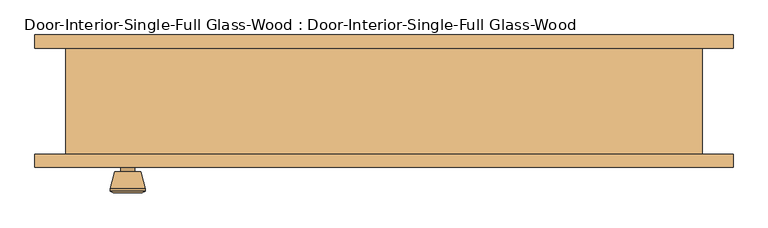
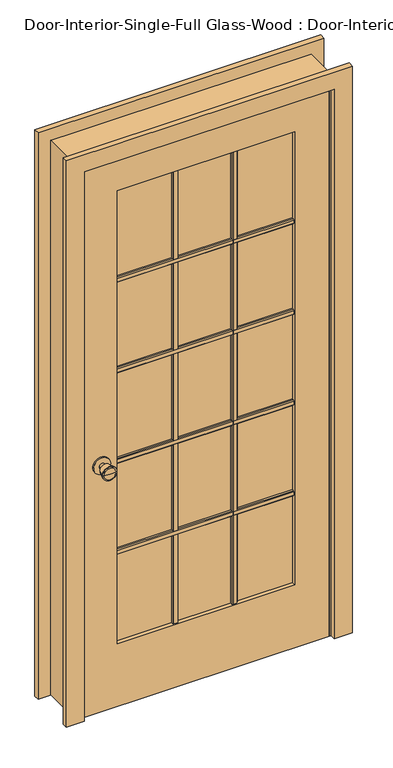
"""IFC4 building model written with IfcOpenShell, lengths in millimetres: door geometry, Door-Interior-Single-Full Glass-Wood : Door-Interior-Single-Full Glass-Wood."""

from ifc_helpers import new_model, si_unit, point, frame, frame_2d, origin, place, context, project, spatial, polyline, circle_curve, trimmed, segment, composite_curve, outline, extrude, faceted_brep, source, transform, mapped, element, save
from ifc_brep_helpers import plane_surface, cylinder_surface, revolved_surface, advanced_brep


def door_interior_single_full_glass_wood_door_interior_single_e0bcf041(model_context):
    return source(origin(), model_context, "Body", "SolidModel", [
        extrude(outline(polyline([(-59.055, 1586.23), (-59.055, 1567.18), (-65.405, 1567.18), (-68.58, 1570.355), (-68.58, 1583.055), (-65.405, 1586.23), (-59.055, 1586.23)])), frame((-311.15, 0.0, 0.0), z_axis=(1.0, 0.0, 0.0), x_axis=(0.0, 1.0, 0.0)), (0.0, 0.0, 1.0), 622.3),
        extrude(outline(polyline([(-59.055, 1249.9975), (-59.055, 1230.9475), (-65.405, 1230.9475), (-68.58, 1234.1225), (-68.58, 1246.8225), (-65.405, 1249.9975), (-59.055, 1249.9975)])), frame((-311.15, 0.0, 0.0), z_axis=(1.0, 0.0, 0.0), x_axis=(0.0, 1.0, 0.0)), (0.0, 0.0, 1.0), 622.3),
        extrude(outline(polyline([(-59.055, 913.765), (-59.055, 894.715), (-65.405, 894.715), (-68.58, 897.89), (-68.58, 910.59), (-65.405, 913.765), (-59.055, 913.765)])), frame((-311.15, 0.0, 0.0), z_axis=(1.0, 0.0, 0.0), x_axis=(0.0, 1.0, 0.0)), (0.0, 0.0, 1.0), 622.3),
        extrude(outline(polyline([(-59.055, 577.5325), (-59.055, 558.4825), (-65.405, 558.4825), (-68.58, 561.6575), (-68.58, 574.3575), (-65.405, 577.5325), (-59.055, 577.5325)])), frame((-311.15, 0.0, 0.0), z_axis=(1.0, 0.0, 0.0), x_axis=(0.0, 1.0, 0.0)), (0.0, 0.0, 1.0), 622.3),
        extrude(outline(polyline([(94.1916667, -59.055), (113.2416667, -59.055), (113.2416667, -65.405), (110.0666667, -68.58), (97.3666667, -68.58), (94.1916667, -65.405), (94.1916667, -59.055)])), frame((0.0, 0.0, 231.775), z_axis=(0.0, 0.0, 1.0), x_axis=(1.0, 0.0, 0.0)), (0.0, 0.0, 1.0), 1681.1625),
        extrude(outline(polyline([(-113.2416667, -59.055), (-94.1916667, -59.055), (-94.1916667, -65.405), (-97.3666667, -68.58), (-110.0666667, -68.58), (-113.2416667, -65.405), (-113.2416667, -59.055)])), frame((0.0, 0.0, 231.775), z_axis=(0.0, 0.0, 1.0), x_axis=(1.0, 0.0, 0.0)), (0.0, 0.0, 1.0), 1681.1625),
        extrude(outline(polyline([(-52.07, 1586.23), (-45.72, 1586.23), (-42.545, 1583.055), (-42.545, 1570.355), (-45.72, 1567.18), (-52.07, 1567.18), (-52.07, 1586.23)])), frame((-311.15, 0.0, 0.0), z_axis=(1.0, 0.0, 0.0), x_axis=(0.0, 1.0, 0.0)), (0.0, 0.0, 1.0), 622.3),
        extrude(outline(polyline([(-52.07, 1249.9975), (-45.72, 1249.9975), (-42.545, 1246.8225), (-42.545, 1234.1225), (-45.72, 1230.9475), (-52.07, 1230.9475), (-52.07, 1249.9975)])), frame((-311.15, 0.0, 0.0), z_axis=(1.0, 0.0, 0.0), x_axis=(0.0, 1.0, 0.0)), (0.0, 0.0, 1.0), 622.3),
        extrude(outline(polyline([(-52.07, 913.765), (-45.72, 913.765), (-42.545, 910.59), (-42.545, 897.89), (-45.72, 894.715), (-52.07, 894.715), (-52.07, 913.765)])), frame((-311.15, 0.0, 0.0), z_axis=(1.0, 0.0, 0.0), x_axis=(0.0, 1.0, 0.0)), (0.0, 0.0, 1.0), 622.3),
        extrude(outline(polyline([(-52.07, 577.5325), (-45.72, 577.5325), (-42.545, 574.3575), (-42.545, 561.6575), (-45.72, 558.4825), (-52.07, 558.4825), (-52.07, 577.5325)])), frame((-311.15, 0.0, 0.0), z_axis=(1.0, 0.0, 0.0), x_axis=(0.0, 1.0, 0.0)), (0.0, 0.0, 1.0), 622.3),
        extrude(outline(polyline([(94.1916667, -52.07), (94.1916667, -45.72), (97.3666667, -42.545), (110.0666667, -42.545), (113.2416667, -45.72), (113.2416667, -52.07), (94.1916667, -52.07)])), frame((0.0, 0.0, 231.775), z_axis=(0.0, 0.0, 1.0), x_axis=(1.0, 0.0, 0.0)), (0.0, 0.0, 1.0), 1681.1625),
        extrude(outline(polyline([(-113.2416667, -52.07), (-113.2416667, -45.72), (-110.0666667, -42.545), (-97.3666667, -42.545), (-94.1916667, -45.72), (-94.1916667, -52.07), (-113.2416667, -52.07)])), frame((0.0, 0.0, 231.775), z_axis=(0.0, 0.0, 1.0), x_axis=(1.0, 0.0, 0.0)), (0.0, 0.0, 1.0), 1681.1625),
        advanced_brep(
        [(-368.3, -32.1, 914.4), (-378.3, -32.1, 914.4), (-358.3, -32.1, 914.4), (-347.8241324, 16.9, 914.4), (-388.7758676, 16.9, 914.4), (-368.3, 16.9, 914.4), (-343.3, 15.0721319, 914.4), (-393.3, 15.0721319, 914.4), (-343.3, 11.6084537, 914.4), (-393.3, 11.6084537, 914.4), (-349.663764, -13.1, 914.4), (-386.936236, -13.1, 914.4), (-358.3, -13.1, 914.4), (-378.3, -13.1, 914.4)],
        [
            (0, 1),
            (1, 2, circle_curve(frame((-368.3, -32.1, 914.4), z_axis=(0.0, -1.0, 0.0), x_axis=(-1.0, 0.0, 0.0)), 10.0)),
            (2, 0),
            (2, 1, circle_curve(frame((-368.3, -32.1, 914.4), z_axis=(0.0, -1.0, 0.0), x_axis=(-1.0, 0.0, 0.0)), 10.0)),
            (3, 4, circle_curve(frame((-368.3, 16.9, 914.4), z_axis=(0.0, 1.0, 0.0), x_axis=(-1.0, 0.0, 0.0)), 20.4758676)),
            (4, 5),
            (5, 3),
            (4, 3, circle_curve(frame((-368.3, 16.9, 914.4), z_axis=(0.0, 1.0, 0.0), x_axis=(-1.0, 0.0, 0.0)), 20.4758676)),
            (6, 7, circle_curve(frame((-368.3, 15.0721319, 914.4), z_axis=(0.0, 1.0, 0.0), x_axis=(-1.0, 0.0, 0.0)), 25.0)),
            (7, 4),
            (3, 6),
            (7, 6, circle_curve(frame((-368.3, 15.0721319, 914.4), z_axis=(0.0, 1.0, 0.0), x_axis=(-1.0, 0.0, 0.0)), 25.0)),
            (8, 9, circle_curve(frame((-368.3, 11.6084537, 914.4), z_axis=(0.0, 1.0, 0.0), x_axis=(-1.0, 0.0, 0.0)), 25.0)),
            (9, 7),
            (6, 8),
            (9, 8, circle_curve(frame((-368.3, 11.6084537, 914.4), z_axis=(0.0, 1.0, 0.0), x_axis=(-1.0, 0.0, 0.0)), 25.0)),
            (10, 11, circle_curve(frame((-368.3, -13.1, 914.4), z_axis=(0.0, 1.0, 0.0), x_axis=(-1.0, 0.0, 0.0)), 18.636236)),
            (11, 9),
            (8, 10),
            (11, 10, circle_curve(frame((-368.3, -13.1, 914.4), z_axis=(0.0, 1.0, 0.0), x_axis=(-1.0, 0.0, 0.0)), 18.636236)),
            (12, 13, circle_curve(frame((-368.3, -13.1, 914.4), z_axis=(0.0, 1.0, 0.0), x_axis=(-1.0, 0.0, 0.0)), 10.0)),
            (13, 11),
            (10, 12),
            (13, 12, circle_curve(frame((-368.3, -13.1, 914.4), z_axis=(0.0, 1.0, 0.0), x_axis=(-1.0, 0.0, 0.0)), 10.0)),
            (1, 13),
            (12, 2),
        ],
        [
            plane_surface(frame((-368.3, -32.1, 914.4), z_axis=(0.0, -1.0, 0.0), x_axis=(-1.0, 0.0, 0.0))),
            plane_surface(frame((-368.3, 16.9, 914.4), z_axis=(0.0, 1.0, 0.0), x_axis=(-1.0, 0.0, 0.0))),
            revolved_surface(polyline([(-388.7758676, 16.9, 914.4), (-393.3, 15.0721319, 914.4)]), (-368.3, -32.1, 914.4), (0.0, -1.0, 0.0)),
            cylinder_surface(frame((-368.3, -32.1, 914.4), z_axis=(0.0, -1.0, 0.0), x_axis=(-1.0, 0.0, 0.0)), 25.0),
            revolved_surface(polyline([(-393.3, 11.6084537, 914.4), (-386.936236, -13.1, 914.4)]), (-368.3, -32.1, 914.4), (0.0, -1.0, 0.0)),
            plane_surface(frame((-368.3, -13.1, 914.4), z_axis=(0.0, -1.0, 0.0), x_axis=(-1.0, 0.0, 0.0))),
            cylinder_surface(frame((-368.3, -32.1, 914.4), z_axis=(0.0, -1.0, 0.0), x_axis=(-1.0, 0.0, 0.0)), 10.0),
        ],
        [
            (0, [[1, 2, 3]]),
            (0, [[-3, 4, -1]]),
            (1, [[5, 6, 7]]),
            (1, [[8, -7, -6]]),
            (2, [[9, 10, -5, 11]]),
            (2, [[12, -11, -8, -10]]),
            (3, [[13, 14, -9, 15]]),
            (3, [[16, -15, -12, -14]]),
            (4, [[17, 18, -13, 19]]),
            (4, [[20, -19, -16, -18]]),
            (5, [[21, 22, -17, 23]]),
            (5, [[24, -23, -20, -22]]),
            (6, [[-2, 25, -21, 26]]),
            (6, [[-4, -26, -24, -25]]),
        ],
    ),
        extrude(outline(composite_curve([segment(trimmed(circle_curve(frame_2d((914.4, -368.3)), 30.0), [point((914.4, -398.3))], [point((914.4, -338.3))], False, "CARTESIAN"), True, "CONTINUOUS"), segment(trimmed(circle_curve(frame_2d((914.4, -368.3)), 30.0), [point((914.4, -338.3))], [point((914.4, -398.3))], False, "CARTESIAN"), True, "CONTINUOUS")], self_intersect=False)), frame((0.0, -38.1, 0.0), z_axis=(0.0, 1.0, 0.0), x_axis=(0.0, 0.0, 1.0)), (0.0, 0.0, 1.0), 6.0),
        advanced_brep(
        [(-368.3, -79.025, 914.4), (-358.3, -79.025, 914.4), (-378.3, -79.025, 914.4), (-347.8241324, -128.025, 914.4), (-368.3, -128.025, 914.4), (-388.7758676, -128.025, 914.4), (-343.3, -126.1971319, 914.4), (-393.3, -126.1971319, 914.4), (-343.3, -122.7334537, 914.4), (-393.3, -122.7334537, 914.4), (-349.663764, -98.025, 914.4), (-386.936236, -98.025, 914.4), (-358.3, -98.025, 914.4), (-378.3, -98.025, 914.4)],
        [
            (0, 1),
            (1, 2, circle_curve(frame((-368.3, -79.025, 914.4), z_axis=(0.0, 1.0, 0.0), x_axis=(-1.0, 0.0, 0.0)), 10.0)),
            (2, 0),
            (2, 1, circle_curve(frame((-368.3, -79.025, 914.4), z_axis=(0.0, 1.0, 0.0), x_axis=(-1.0, 0.0, 0.0)), 10.0)),
            (3, 4),
            (4, 5),
            (5, 3, circle_curve(frame((-368.3, -128.025, 914.4), z_axis=(0.0, -1.0, 0.0), x_axis=(-1.0, 0.0, 0.0)), 20.4758676)),
            (3, 5, circle_curve(frame((-368.3, -128.025, 914.4), z_axis=(0.0, -1.0, 0.0), x_axis=(-1.0, 0.0, 0.0)), 20.4758676)),
            (6, 3),
            (5, 7),
            (7, 6, circle_curve(frame((-368.3, -126.1971319, 914.4), z_axis=(0.0, -1.0, 0.0), x_axis=(-1.0, 0.0, 0.0)), 25.0)),
            (6, 7, circle_curve(frame((-368.3, -126.1971319, 914.4), z_axis=(0.0, -1.0, 0.0), x_axis=(-1.0, 0.0, 0.0)), 25.0)),
            (8, 6),
            (7, 9),
            (9, 8, circle_curve(frame((-368.3, -122.7334537, 914.4), z_axis=(0.0, -1.0, 0.0), x_axis=(-1.0, 0.0, 0.0)), 25.0)),
            (8, 9, circle_curve(frame((-368.3, -122.7334537, 914.4), z_axis=(0.0, -1.0, 0.0), x_axis=(-1.0, 0.0, 0.0)), 25.0)),
            (10, 8),
            (9, 11),
            (11, 10, circle_curve(frame((-368.3, -98.025, 914.4), z_axis=(0.0, -1.0, 0.0), x_axis=(-1.0, 0.0, 0.0)), 18.636236)),
            (10, 11, circle_curve(frame((-368.3, -98.025, 914.4), z_axis=(0.0, -1.0, 0.0), x_axis=(-1.0, 0.0, 0.0)), 18.636236)),
            (12, 10),
            (11, 13),
            (13, 12, circle_curve(frame((-368.3, -98.025, 914.4), z_axis=(0.0, -1.0, 0.0), x_axis=(-1.0, 0.0, 0.0)), 10.0)),
            (12, 13, circle_curve(frame((-368.3, -98.025, 914.4), z_axis=(0.0, -1.0, 0.0), x_axis=(-1.0, 0.0, 0.0)), 10.0)),
            (1, 12),
            (13, 2),
        ],
        [
            plane_surface(frame((-368.3, -79.025, 914.4), z_axis=(0.0, 1.0, 0.0), x_axis=(-1.0, 0.0, 0.0))),
            plane_surface(frame((-368.3, -128.025, 914.4), z_axis=(0.0, -1.0, 0.0), x_axis=(-1.0, 0.0, 0.0))),
            revolved_surface(polyline([(-388.7758676, -128.025, 914.4), (-393.3, -126.1971319, 914.4)]), (-368.3, -79.025, 914.4), (0.0, 1.0, 0.0)),
            cylinder_surface(frame((-368.3, -79.025, 914.4), z_axis=(0.0, 1.0, 0.0), x_axis=(-1.0, 0.0, 0.0)), 25.0),
            revolved_surface(polyline([(-393.3, -122.7334537, 914.4), (-386.936236, -98.025, 914.4)]), (-368.3, -79.025, 914.4), (0.0, 1.0, 0.0)),
            plane_surface(frame((-368.3, -98.025, 914.4), z_axis=(0.0, 1.0, 0.0), x_axis=(-1.0, 0.0, 0.0))),
            cylinder_surface(frame((-368.3, -79.025, 914.4), z_axis=(0.0, 1.0, 0.0), x_axis=(-1.0, 0.0, 0.0)), 10.0),
        ],
        [
            (0, [[1, 2, 3]]),
            (0, [[-3, 4, -1]]),
            (1, [[5, 6, 7]]),
            (1, [[-6, -5, 8]]),
            (2, [[9, -7, 10, 11]]),
            (2, [[-10, -8, -9, 12]]),
            (3, [[13, -11, 14, 15]]),
            (3, [[-14, -12, -13, 16]]),
            (4, [[17, -15, 18, 19]]),
            (4, [[-18, -16, -17, 20]]),
            (5, [[21, -19, 22, 23]]),
            (5, [[-22, -20, -21, 24]]),
            (6, [[25, -23, 26, -2]]),
            (6, [[-26, -24, -25, -4]]),
        ],
    ),
        extrude(outline(composite_curve([segment(trimmed(circle_curve(frame_2d((914.4, -368.3)), 30.0), [point((914.4, -398.3))], [point((914.4, -338.3))], False, "CARTESIAN"), True, "CONTINUOUS"), segment(trimmed(circle_curve(frame_2d((914.4, -368.3)), 30.0), [point((914.4, -338.3))], [point((914.4, -398.3))], False, "CARTESIAN"), True, "CONTINUOUS")], self_intersect=False)), frame((0.0, -79.025, 0.0), z_axis=(0.0, 1.0, 0.0), x_axis=(0.0, 0.0, 1.0)), (0.0, 0.0, 1.0), 6.0),
        extrude(outline(polyline([(2032.0, -431.8), (0.0, -431.8), (0.0, 431.8), (2032.0, 431.8), (2032.0, -431.8)]), holes=[polyline([(1912.9375, -311.15), (1912.9375, 311.15), (231.775, 311.15), (231.775, -311.15), (1912.9375, -311.15)])]), frame((0.0, -73.025, 0.0), z_axis=(0.0, 1.0, 0.0), x_axis=(0.0, 0.0, 1.0)), (0.0, 0.0, 1.0), 34.925),
        faceted_brep([(457.2, -73.025, 0.0), (431.8, -73.025, 0.0), (431.8, -38.1, 0.0), (419.1, -38.1, 0.0), (419.1, -3.175, 0.0), (431.8, -3.175, 0.0), (431.8, 79.375, 0.0), (457.2, 79.375, 0.0), (457.2, 79.375, 2057.4), (457.2, -73.025, 2057.4), (431.8, 79.375, 2032.0), (-431.8, 79.375, 2032.0), (-431.8, 79.375, 0.0), (-457.2, 79.375, 0.0), (-457.2, 79.375, 2057.4), (431.8, -3.175, 2032.0), (419.1, -3.175, 2019.3), (-419.1, -3.175, 2019.3), (-419.1, -3.175, 0.0), (-431.8, -3.175, 0.0), (-431.8, -3.175, 2032.0), (419.1, -38.1, 2019.3), (431.8, -38.1, 2032.0), (-431.8, -38.1, 2032.0), (-431.8, -38.1, 0.0), (-419.1, -38.1, 0.0), (-419.1, -38.1, 2019.3), (431.8, -73.025, 2032.0), (-457.2, -73.025, 2057.4), (-457.2, -73.025, 0.0), (-431.8, -73.025, 0.0), (-431.8, -73.025, 2032.0)], [[[0, 1, 2, 3, 4, 5, 6, 7]], [[7, 8, 9, 0]], [[6, 10, 11, 12, 13, 14, 8, 7]], [[5, 15, 10, 6]], [[4, 16, 17, 18, 19, 20, 15, 5]], [[3, 21, 16, 4]], [[2, 22, 23, 24, 25, 26, 21, 3]], [[1, 27, 22, 2]], [[0, 9, 28, 29, 30, 31, 27, 1]], [[8, 14, 28, 9]], [[15, 20, 11, 10]], [[21, 26, 17, 16]], [[27, 31, 23, 22]], [[29, 13, 12, 19, 18, 25, 24, 30]], [[14, 13, 29, 28]], [[20, 19, 12, 11]], [[26, 25, 18, 17]], [[31, 30, 24, 23]]]),
        extrude(outline(polyline([(311.15, -52.07), (311.15, -59.055), (-311.15, -59.055), (-311.15, -52.07), (311.15, -52.07)])), frame((0.0, 0.0, 231.775), z_axis=(0.0, 0.0, 1.0), x_axis=(1.0, 0.0, 0.0)), (0.0, 0.0, 1.0), 1681.1625),
        extrude(outline(polyline([(0.0, 501.65), (2101.85, 501.65), (2101.85, -501.65), (0.0, -501.65), (0.0, -438.15), (2038.35, -438.15), (2038.35, 438.15), (0.0, 438.15), (0.0, 501.65)])), frame((0.0, 79.375, 0.0), z_axis=(0.0, 1.0, 0.0), x_axis=(0.0, 0.0, 1.0)), (0.0, 0.0, 1.0), 19.05),
        extrude(outline(polyline([(0.0, 501.65), (2101.85, 501.65), (2101.85, -501.65), (0.0, -501.65), (0.0, -438.15), (2038.35, -438.15), (2038.35, 438.15), (0.0, 438.15), (0.0, 501.65)])), frame((0.0, -92.075, 0.0), z_axis=(0.0, 1.0, 0.0), x_axis=(0.0, 0.0, 1.0)), (0.0, 0.0, 1.0), 19.05),
    ])


if __name__ == "__main__":
    model = new_model("IFC4")
    model_context = context("Model", 3, world=origin())
    ifc_project = project(units=[si_unit("LENGTHUNIT", "METRE", prefix="MILLI")], contexts=[model_context])
    site = spatial("IfcSite", under=ifc_project)
    building = spatial("IfcBuilding", under=site)
    placement = place(None, origin())
    door_interior_single_full_glass_wood_door_interior_single_shape = door_interior_single_full_glass_wood_door_interior_single_e0bcf041(model_context)
    element("IfcDoor", 1, ObjectType="Door-Interior-Single-Full Glass-Wood : Door-Interior-Single-Full Glass-Wood", at=placement, inside=building, context=model_context, shape_type="MappedRepresentation", body=[
        mapped(door_interior_single_full_glass_wood_door_interior_single_shape, transform((0.0, 0.0, 0.0), x_axis=(1.0, 0.0, 0.0), y_axis=(0.0, 1.0, 0.0), z_axis=(0.0, 0.0, 1.0))),
    ])
    save(model, "model.ifc")
